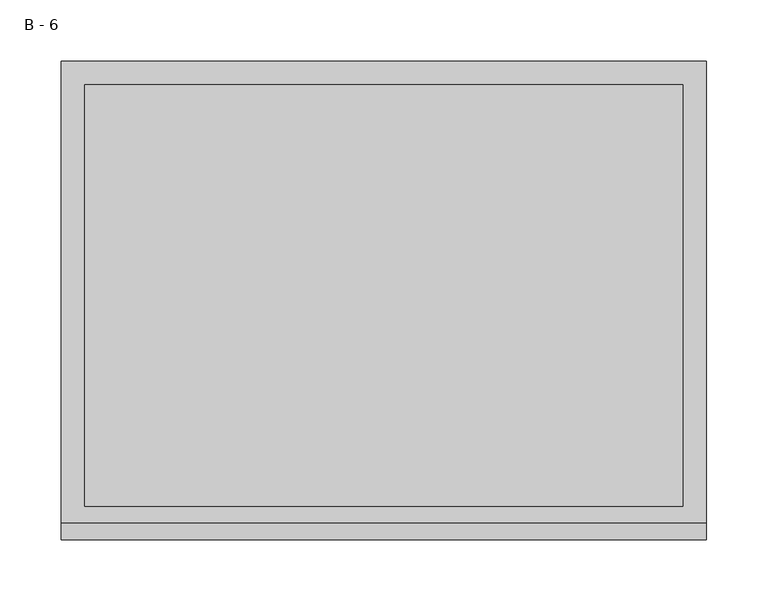
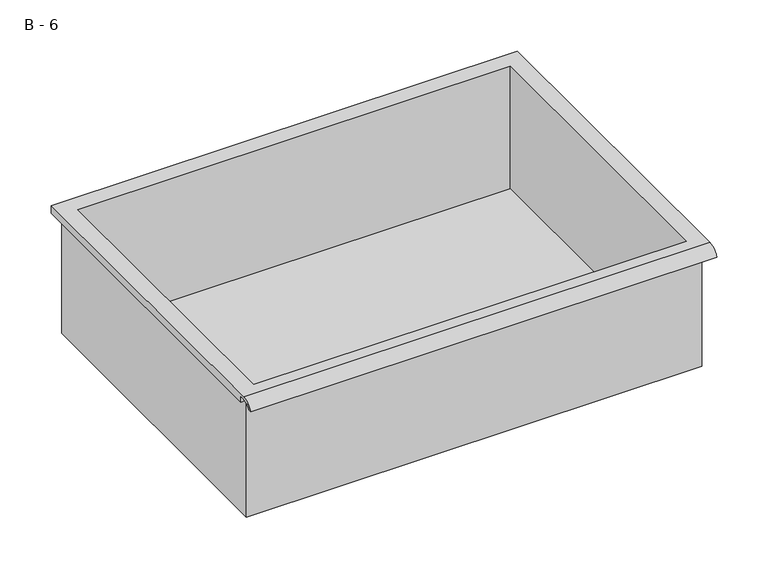
"""IFC4 building model written with IfcOpenShell, lengths in millimetres: furniture geometry, B - 6."""

from ifc_helpers import new_model, si_unit, frame, origin, place, context, project, spatial, polyline, circle_curve, source, transform, mapped, element, save
from ifc_brep_helpers import plane_surface, cylinder_surface, revolved_surface, advanced_brep


def b_6_c67cfd76(model_context):
    return source(origin(), model_context, "Body", "AdvancedBrep", [
        advanced_brep(
        [(-257.1076517, -176.2125, 719.25942), (257.2423483, -176.2125, 719.25942), (257.2423483, -176.2125, 858.95942), (263.5923483, -176.2125, 858.95942), (263.5923483, -176.2125, 865.2665541), (-263.4576517, -176.2125, 865.2665541), (-263.4576517, -176.2125, 858.95942), (-257.1076517, -176.2125, 858.95942), (257.2423483, 185.7375, 719.25942), (-257.1076517, 185.7375, 719.25942), (-257.1076517, 185.7375, 858.95942), (257.2423483, 185.7375, 858.95942), (263.5923483, -181.6070544, 868.48442), (263.5923483, 195.2625, 868.48442), (-263.4576517, 195.2625, 868.48442), (-263.4576517, -181.6070544, 868.48442), (244.5423483, -168.275, 868.48442), (-244.4076517, -168.275, 868.48442), (-244.4076517, 176.2125, 868.48442), (244.5423483, 176.2125, 868.48442), (263.5923483, -195.2625, 858.95942), (263.5923483, -191.8280601, 858.95942), (263.5923483, -180.4714815, 865.2665541), (263.5923483, 195.2625, 858.95942), (-263.4576517, 195.2625, 858.95942), (-263.4576517, -180.4714815, 865.2665541), (-263.4576517, -191.8280601, 858.95942), (-263.4576517, -195.2625, 858.95942), (-244.4076517, -168.275, 722.2855919), (244.5423483, -168.275, 722.2855919), (244.5423483, 176.2125, 722.2855919), (-244.4076517, 176.2125, 722.2855919)],
        [
            (0, 1),
            (1, 2),
            (2, 3),
            (3, 4),
            (4, 5),
            (5, 6),
            (6, 7),
            (7, 0),
            (8, 9),
            (9, 10),
            (10, 11),
            (11, 8),
            (0, 9),
            (8, 1),
            (11, 2),
            (12, 13),
            (13, 14),
            (14, 15),
            (15, 12),
            (16, 17),
            (17, 18),
            (18, 19),
            (19, 16),
            (7, 10),
            (12, 20, circle_curve(frame((263.5923483, -181.6070544, 853.9334059), z_axis=(1.0, 0.0, 0.0), x_axis=(0.0, 1.0, 0.0)), 14.5510141)),
            (20, 21),
            (21, 22, circle_curve(frame((263.5923483, -181.6070544, 853.9334059), z_axis=(-1.0, 0.0, 0.0), x_axis=(0.0, 1.0, 0.0)), 11.3898979)),
            (22, 4),
            (3, 23),
            (23, 13),
            (14, 24),
            (24, 6),
            (5, 25),
            (25, 26, circle_curve(frame((-263.4576517, -181.6070544, 853.9334059), z_axis=(1.0, 0.0, 0.0), x_axis=(0.0, 1.0, 0.0)), 11.3898979)),
            (26, 27),
            (27, 15, circle_curve(frame((-263.4576517, -181.6070544, 853.9334059), z_axis=(-1.0, 0.0, 0.0), x_axis=(0.0, 1.0, 0.0)), 14.5510141)),
            (27, 20),
            (26, 21),
            (25, 22),
            (24, 23),
            (28, 29),
            (29, 30),
            (30, 31),
            (31, 28),
            (28, 17),
            (16, 29),
            (19, 30),
            (18, 31),
        ],
        [
            plane_surface(frame((257.2423483, -176.2125, 719.25942), z_axis=(0.0, -1.0, 0.0), x_axis=(1.0, 0.0, 0.0))),
            plane_surface(frame((257.2423483, 185.7375, 719.25942), z_axis=(0.0, 1.0, 0.0), x_axis=(-1.0, 0.0, 0.0))),
            plane_surface(frame((-257.1076517, -176.2125, 719.25942), z_axis=(0.0, 0.0, -1.0), x_axis=(0.0, 1.0, 0.0))),
            plane_surface(frame((257.2423483, -176.2125, 719.25942), z_axis=(1.0, 0.0, 0.0), x_axis=(0.0, 1.0, 0.0))),
            plane_surface(frame((257.2423483, -176.2125, 868.48442), z_axis=(0.0, 0.0, 1.0), x_axis=(0.0, 1.0, 0.0))),
            plane_surface(frame((-257.1076517, -176.2125, 868.48442), z_axis=(-1.0, 0.0, 0.0), x_axis=(0.0, 1.0, 0.0))),
            plane_surface(frame((263.5923483, 195.2625, 868.48442), z_axis=(1.0, 0.0, 0.0), x_axis=(0.0, -1.0, 0.0))),
            plane_surface(frame((-263.4576517, 195.2625, 868.48442), z_axis=(-1.0, 0.0, 0.0), x_axis=(0.0, 1.0, 0.0))),
            cylinder_surface(frame((-263.4576517, -181.6070544, 853.9334059), z_axis=(1.0, 0.0, 0.0), x_axis=(0.0, 1.0, 0.0)), 14.5510141),
            plane_surface(frame((263.5923483, -195.2625, 858.95942), z_axis=(0.0, -7.291233251776353e-12, -1.0), x_axis=(-1.0, 0.0, 0.0))),
            revolved_surface(polyline([(-263.4576517, -170.21715650000002, 853.9334059), (263.59234829999997, -170.21715650000002, 853.9334059)]), (-263.4576517, -181.6070544, 853.9334059), (-1.0, 0.0, 0.0)),
            plane_surface(frame((263.5923483, -180.4714815, 865.2665541), z_axis=(0.0, -1.808388334576073e-11, -1.0), x_axis=(-1.0, 0.0, 0.0))),
            plane_surface(frame((263.5923483, -176.2125, 858.95942), z_axis=(0.0, 0.0, -1.0), x_axis=(-1.0, 0.0, 0.0))),
            plane_surface(frame((263.5923483, 195.2625, 858.95942), z_axis=(0.0, 1.0, 0.0), x_axis=(-1.0, 0.0, 0.0))),
            plane_surface(frame((244.5423483, -168.275, 722.2855919), z_axis=(0.0, 0.0, 1.0), x_axis=(-1.0, 0.0, 0.0))),
            plane_surface(frame((-244.4076517, -168.275, 868.48442), z_axis=(0.0, 1.0, 0.0), x_axis=(0.0, 0.0, -1.0))),
            plane_surface(frame((244.5423483, -168.275, 868.48442), z_axis=(-1.0, 0.0, 0.0), x_axis=(0.0, 0.0, -1.0))),
            plane_surface(frame((244.5423483, 176.2125, 868.48442), z_axis=(0.0, -1.0, 0.0), x_axis=(0.0, 0.0, -1.0))),
            plane_surface(frame((-244.4076517, 176.2125, 868.48442), z_axis=(1.0, 0.0, 0.0), x_axis=(0.0, 0.0, -1.0))),
        ],
        [
            (0, [[1, 2, 3, 4, 5, 6, 7, 8]]),
            (1, [[9, 10, 11, 12]]),
            (2, [[-1, 13, -9, 14]]),
            (3, [[-14, -12, 15, -2]]),
            (4, [[16, 17, 18, 19], [20, 21, 22, 23]]),
            (5, [[-13, -8, 24, -10]]),
            (6, [[-16, 25, 26, 27, 28, -4, 29, 30]]),
            (7, [[31, 32, -6, 33, 34, 35, 36, -18]]),
            (8, [[-25, -19, -36, 37]]),
            (9, [[-26, -37, -35, 38]]),
            (10, [[-27, -38, -34, 39]]),
            (11, [[-28, -39, -33, -5]]),
            (12, [[-29, -3, -15, -11, -24, -7, -32, 40]]),
            (13, [[-30, -40, -31, -17]]),
            (14, [[41, 42, 43, 44]]),
            (15, [[-41, 45, -20, 46]]),
            (16, [[-42, -46, -23, 47]]),
            (17, [[-43, -47, -22, 48]]),
            (18, [[-44, -48, -21, -45]]),
        ],
    ),
    ])


if __name__ == "__main__":
    model = new_model("IFC4")
    model_context = context("Model", 3, world=origin())
    ifc_project = project(units=[si_unit("LENGTHUNIT", "METRE", prefix="MILLI")], contexts=[model_context])
    site = spatial("IfcSite", under=ifc_project)
    building = spatial("IfcBuilding", under=site)
    placement = place(None, origin())
    b_6_shape = b_6_c67cfd76(model_context)
    element("IfcFurniture", 1, ObjectType="B - 6", at=placement, inside=building, context=model_context, shape_type="MappedRepresentation", body=[
        mapped(b_6_shape, transform((0.0, 0.0, 0.0), x_axis=(1.0, 0.0, 0.0), y_axis=(0.0, 1.0, 0.0), z_axis=(0.0, 0.0, 1.0))),
    ])
    save(model, "model.ifc")
